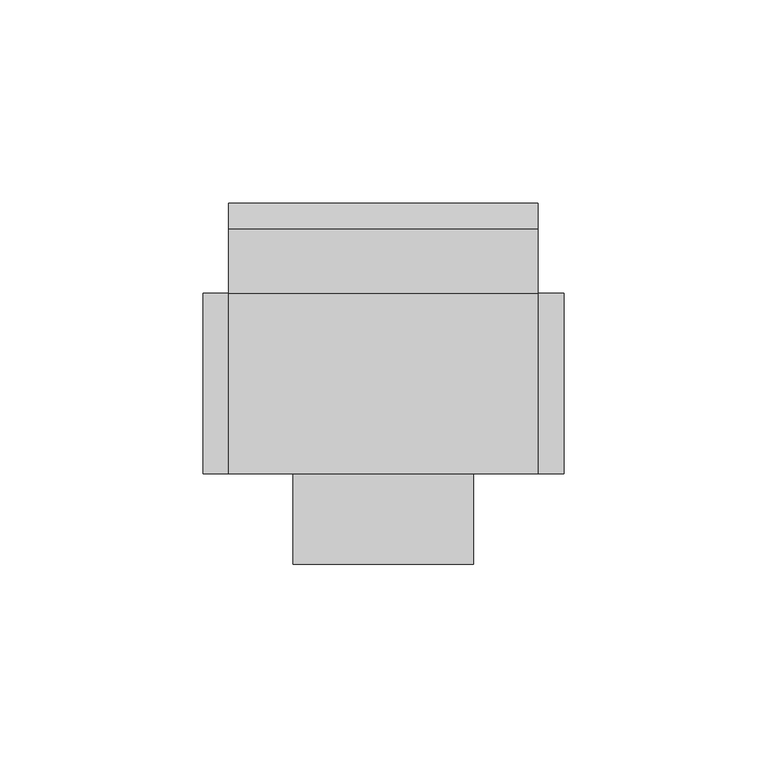
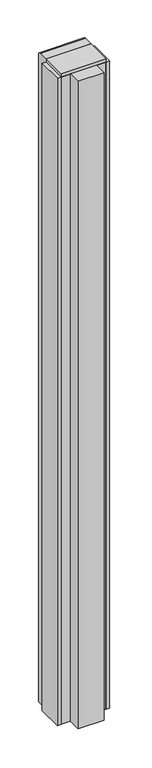
"""IFC4 building model written with IfcOpenShell, lengths in millimetres: furniture geometry."""

from ifc_helpers import new_model, si_unit, point, frame, frame_2d, origin, origin_with_axes, place, context, project, spatial, polyline, circle_curve, trimmed, segment, composite_curve, outline, extrude, source, transform, mapped, element, save


def furniture_ccf54e6c(model_context):
    return source(origin(), model_context, "Body", "SweptSolid", [
        extrude(outline(polyline([(88.9, -22.225), (88.9, -66.675), (82.55, -66.675), (82.55, -22.225), (88.9, -22.225)])), origin_with_axes(), (0.0, 0.0, 1.0), 1162.05),
        extrude(outline(polyline([(6.35, -66.675), (0.0, -66.675), (0.0, -22.225), (6.35, -22.225), (6.35, -66.675)])), origin_with_axes(), (0.0, 0.0, 1.0), 1162.05),
        extrude(outline(polyline([(66.675, -88.9), (22.225, -88.9), (22.225, -66.675), (66.675, -66.675), (66.675, -88.9)])), origin_with_axes(), (0.0, 0.0, 1.0), 1162.05),
        extrude(outline(composite_curve([segment(polyline([(-22.225, 1168.4), (-6.35, 1168.4)]), True, "CONTINUOUS"), segment(trimmed(circle_curve(frame_2d((-6.35, 1162.05)), 6.35), [point((-6.35, 1168.4))], [point((0.0, 1162.05))], False, "CARTESIAN"), True, "CONTINUOUS"), segment(polyline([(0.0, 1162.05), (0.0, 0.0), (-66.675, 0.0), (-66.675, 1162.05), (-22.225, 1162.05), (-22.225, 1168.4)]), True, "CONTINUOUS")], self_intersect=False)), frame((6.35, 0.0, 0.0), z_axis=(1.0, 0.0, 0.0), x_axis=(0.0, 1.0, 0.0)), (0.0, 0.0, 1.0), 76.2),
        extrude(outline(polyline([(82.55, -66.675), (6.35, -66.675), (6.35, -22.225), (82.55, -22.225), (82.55, -66.675)])), frame((0.0, 0.0, 1162.05), z_axis=(0.0, 0.0, 1.0), x_axis=(1.0, 0.0, 0.0)), (0.0, 0.0, 1.0), 6.35),
    ])


if __name__ == "__main__":
    model = new_model("IFC4")
    model_context = context("Model", 3, world=origin())
    ifc_project = project(units=[si_unit("LENGTHUNIT", "METRE", prefix="MILLI")], contexts=[model_context])
    site = spatial("IfcSite", under=ifc_project)
    building = spatial("IfcBuilding", under=site)
    placement = place(None, origin())
    furniture_shape = furniture_ccf54e6c(model_context)
    element("IfcFurniture", 1, at=placement, inside=building, context=model_context, shape_type="MappedRepresentation", body=[
        mapped(furniture_shape, transform((0.0, 0.0, 0.0), x_axis=(1.0, 0.0, 0.0), y_axis=(0.0, 1.0, 0.0), z_axis=(0.0, 0.0, 1.0))),
    ])
    save(model, "model.ifc")
